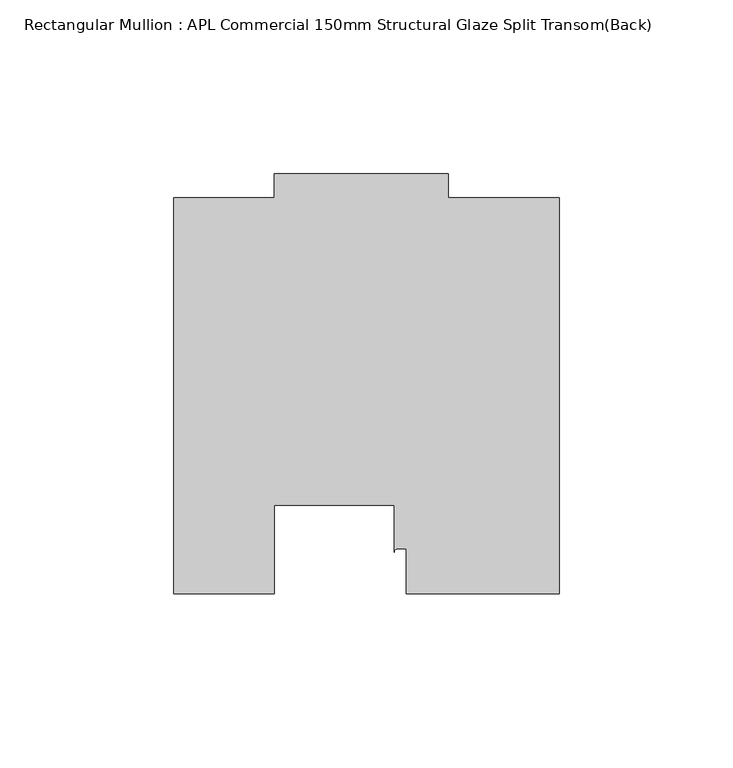
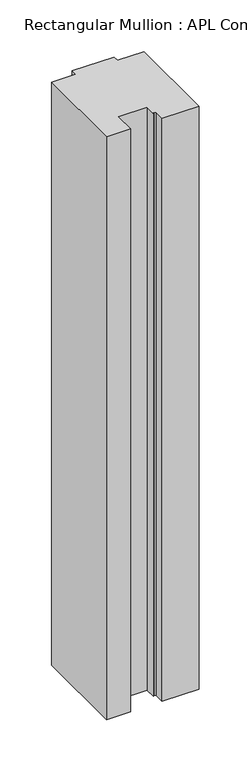
"""IFC4 building model written with IfcOpenShell, lengths in millimetres: member geometry, Rectangular Mullion : APL Commercial 150mm Structural Glaze Split Transom(Back)."""

import ifcopenshell
import ifcopenshell.guid

model = None  # the IFC model being written
_history = None  # IfcOwnerHistory: only IFC2X3 demands one
_inside = {}  # id of a spatial element -> (the spatial element, [elements in it])
_under = {}  # id of a project, library or spatial element -> (it, [spatial elements below it])
_declared = {}  # id of a project -> (the project, [libraries it declares])
_typed = {}  # id of a type object -> (the type object, [elements of that type])
_made_of = {}  # id of a material, layer set ... -> (it, [elements and type objects made of it])


def new_model(schema):
    """Start an empty IFC model of exactly this schema.

    Asked for "IFC4X3", IfcOpenShell would pick the latest addendum, in which some entities
    have other attributes; the version numbers below select the first issue.
    IFC2X3 requires an IfcOwnerHistory on every rooted entity: one is made here for all.
    """
    global model, _history
    if schema == "IFC4X3":
        model = ifcopenshell.file(schema_version=(4, 3, 0, 0))
    else:
        model = ifcopenshell.file(schema=schema)
    _inside.clear()
    _under.clear()
    _declared.clear()
    _typed.clear()
    _made_of.clear()
    _history = None
    if model.schema == "IFC2X3":
        org = make("IfcOrganization", Name="unknown")
        user = make(
            "IfcPersonAndOrganization",
            ThePerson=make("IfcPerson", FamilyName="unknown"),
            TheOrganization=org,
        )
        app = make(
            "IfcApplication",
            ApplicationDeveloper=org,
            Version="unknown",
            ApplicationFullName="unknown",
            ApplicationIdentifier="unknown",
        )
        _history = make(
            "IfcOwnerHistory",
            OwningUser=user,
            OwningApplication=app,
            ChangeAction="ADDED",
            CreationDate=0,
        )
    return model


def make(cls, **values):
    """One entity of the class cls with the attributes given. An attribute that is None is left unset."""
    return model.create_entity(
        cls, **{name: value for name, value in values.items() if value is not None}
    )


def rooted(cls, **values):
    """An entity with a GlobalId (a new one), such as an element, a storey or a relation."""
    return make(cls, GlobalId=ifcopenshell.guid.new(), OwnerHistory=_history, **values)


def si_unit(unit_type, name, prefix=None):
    """IfcSIUnit, for example si_unit("LENGTHUNIT", "METRE", prefix="MILLI")."""
    return make("IfcSIUnit", UnitType=unit_type, Prefix=prefix, Name=name)


def assignment(units):
    """IfcUnitAssignment: the units of a project."""
    return None if units is None else make("IfcUnitAssignment", Units=units)


def point(xyz):
    """IfcCartesianPoint."""
    return None if xyz is None else make("IfcCartesianPoint", Coordinates=xyz)


def direction(xyz):
    """IfcDirection."""
    return None if xyz is None else make("IfcDirection", DirectionRatios=xyz)


def frame(location, z_axis=None, x_axis=None):
    """IfcAxis2Placement3D, a coordinate frame: its origin and axes. An axis left out is left unset."""
    return make(
        "IfcAxis2Placement3D",
        Location=point(location),
        Axis=direction(z_axis),
        RefDirection=direction(x_axis),
    )


def frame_2d(location, x_axis=None):
    """IfcAxis2Placement2D, a coordinate frame in the plane: its origin and x axis."""
    return make(
        "IfcAxis2Placement2D", Location=point(location), RefDirection=direction(x_axis)
    )


def origin():
    """The frame at (0, 0, 0) with its axes left unset."""
    return frame((0.0, 0.0, 0.0))


def place(relative_to, where):
    """IfcLocalPlacement: puts the frame where relative to a parent placement (None: the world)."""
    return make(
        "IfcLocalPlacement", PlacementRelTo=relative_to, RelativePlacement=where
    )


def context(
    kind, dimensions, precision=None, world=None, true_north=None, identifier=None
):
    """IfcGeometricRepresentationContext, for example the 3D "Model" context."""
    return make(
        "IfcGeometricRepresentationContext",
        ContextIdentifier=identifier,
        ContextType=kind,
        CoordinateSpaceDimension=dimensions,
        Precision=precision,
        WorldCoordinateSystem=world,
        TrueNorth=true_north,
    )


def project(units=None, contexts=None):
    """IfcProject with its units and contexts."""
    return rooted(
        "IfcProject",
        Name="project",
        RepresentationContexts=contexts,
        UnitsInContext=assignment(units),
    )


def spatial(cls, under=None, at=None, **own):
    """A site, building, storey or space (cls), placed at a placement, below another one or the project."""
    s = rooted(cls, ObjectPlacement=at, **own)
    if under is not None:
        _under.setdefault(under.id(), (under, []))[1].append(s)
    return s


def polyline(points):
    """IfcPolyline through the points."""
    return make("IfcPolyline", Points=[point(p) for p in points])


def circle_curve(where, radius):
    """IfcCircle in the frame where."""
    return make("IfcCircle", Position=where, Radius=radius)


def trimmed(basis, trim1, trim2, sense, master):
    """IfcTrimmedCurve: the piece of a basis curve between two trims."""
    return make(
        "IfcTrimmedCurve",
        BasisCurve=basis,
        Trim1=trim1,
        Trim2=trim2,
        SenseAgreement=sense,
        MasterRepresentation=master,
    )


def segment(curve, same_sense, transition):
    """IfcCompositeCurveSegment."""
    return make(
        "IfcCompositeCurveSegment",
        Transition=transition,
        SameSense=same_sense,
        ParentCurve=curve,
    )


def composite_curve(segments, self_intersect=None):
    """IfcCompositeCurve: segments joined end to end."""
    return make("IfcCompositeCurve", Segments=segments, SelfIntersect=self_intersect)


def outline(outer, holes=None, kind="AREA"):
    """IfcArbitraryClosedProfileDef: a profile drawn as a closed curve; with holes, ...WithVoids."""
    if holes is None:
        return make("IfcArbitraryClosedProfileDef", ProfileType=kind, OuterCurve=outer)
    return make(
        "IfcArbitraryProfileDefWithVoids",
        ProfileType=kind,
        OuterCurve=outer,
        InnerCurves=holes,
    )


def extrude(swept, where, along, depth):
    """IfcExtrudedAreaSolid: the profile swept, set in the frame where, extruded along a direction by depth."""
    return make(
        "IfcExtrudedAreaSolid",
        SweptArea=swept,
        Position=where,
        ExtrudedDirection=direction(along),
        Depth=depth,
    )


def shape(context_of_items, identifier, shape_type, items):
    """IfcShapeRepresentation: the items that make up one representation, for example the "Body"."""
    return make(
        "IfcShapeRepresentation",
        ContextOfItems=context_of_items,
        RepresentationIdentifier=identifier,
        RepresentationType=shape_type,
        Items=items,
    )


def source(mapping_origin, context_of_items, identifier, shape_type, items):
    """IfcRepresentationMap: a shape defined once, which mapped items show again and again."""
    return make(
        "IfcRepresentationMap",
        MappingOrigin=mapping_origin,
        MappedRepresentation=shape(context_of_items, identifier, shape_type, items),
    )


def transform(
    local_origin,
    x_axis=None,
    y_axis=None,
    z_axis=None,
    scale=None,
    scale2=None,
    scale3=None,
    uniform=True,
):
    """IfcCartesianTransformationOperator3D, or its non-uniform kind. x_axis, y_axis, z_axis: its Axis1, 2, 3."""
    if uniform:
        return make(
            "IfcCartesianTransformationOperator3D",
            Axis1=direction(x_axis),
            Axis2=direction(y_axis),
            LocalOrigin=point(local_origin),
            Scale=scale,
            Axis3=direction(z_axis),
        )
    return make(
        "IfcCartesianTransformationOperator3DnonUniform",
        Axis1=direction(x_axis),
        Axis2=direction(y_axis),
        LocalOrigin=point(local_origin),
        Scale=scale,
        Axis3=direction(z_axis),
        Scale2=scale2,
        Scale3=scale3,
    )


def mapped(mapping_source, mapping_target):
    """IfcMappedItem: shows the shape of a source again, moved by a transform."""
    return make(
        "IfcMappedItem", MappingSource=mapping_source, MappingTarget=mapping_target
    )


def made_of(thing, what):
    """Note that an element or type object is made of a material, layer set ...; save() writes the relation."""
    if what is not None:
        _made_of.setdefault(what.id(), (what, []))[1].append(thing)
    return thing


def element(
    cls,
    number,
    at=None,
    inside=None,
    cuts=None,
    type_object=None,
    material=None,
    context=None,
    identifier="Body",
    shape_type=None,
    held_by="IfcProductDefinitionShape",
    body=None,
    shapes=None,
    **own,
):
    """One element of the class cls, such as IfcWall. Its Tag is "e" and its number.

    at: its placement. inside: the storey or other place that contains it. cuts: it is an
    opening in that element (IfcRelVoidsElement). A single representation is given by context,
    identifier, shape_type and body (its items); several are given by shapes. held_by: the class
    of the entity that holds the representations. save() writes the other relations.
    """
    e = rooted(cls, Tag="e%d" % number, ObjectPlacement=at, **own)
    if body is not None:
        shapes = [shape(context, identifier, shape_type, body)]
    if shapes is not None:
        e.Representation = make(held_by, Representations=shapes)
    if inside is not None:
        _inside.setdefault(inside.id(), (inside, []))[1].append(e)
    if cuts is not None:
        rooted(
            "IfcRelVoidsElement", RelatingBuildingElement=cuts, RelatedOpeningElement=e
        )
    if type_object is not None:
        _typed.setdefault(type_object.id(), (type_object, []))[1].append(e)
    return made_of(e, material)


def aggregate(whole, parts):
    """IfcRelAggregates: a whole, such as a stair, and the parts it consists of."""
    return rooted("IfcRelAggregates", RelatingObject=whole, RelatedObjects=parts)


def save(model, path):
    """Write the relations noted so far, then the file.

    IfcRelAggregates (storeys below a building ...), IfcRelContainedInSpatialStructure (elements
    in a storey), IfcRelDefinesByType, IfcRelAssociatesMaterial and IfcRelDeclares: one each for
    every whole, place, type object, material and project.
    """
    for whole, parts in _under.values():
        aggregate(whole, parts)
    for where, things in _inside.values():
        rooted(
            "IfcRelContainedInSpatialStructure",
            RelatedElements=things,
            RelatingStructure=where,
        )
    for kind, things in _typed.values():
        rooted("IfcRelDefinesByType", RelatedObjects=things, RelatingType=kind)
    for what, things in _made_of.values():
        rooted("IfcRelAssociatesMaterial", RelatedObjects=things, RelatingMaterial=what)
    for by, libraries in _declared.values():
        rooted("IfcRelDeclares", RelatingContext=by, RelatedDefinitions=libraries)
    model.write(path)


def rectangular_mullion_apl_commercial_150mm_structural_glaze_0539d320(model_context):
    return source(origin(), model_context, "Body", "SweptSolid", [
        extrude(outline(composite_curve([segment(polyline([(54.0000029, 15.0004617), (10.0000029, 15.0004617), (10.0000029, 28.0002131), (7.5000029, 28.0002131)]), True, "CONTINUOUS"), segment(trimmed(circle_curve(frame_2d((7.5000029, 27.0002131)), 1.0), [point((7.5000029, 28.0002131))], [point((6.5000029, 27.0002131))], True, "CARTESIAN"), True, "CONTINUOUS"), segment(polyline([(6.5000029, 27.0002131), (6.5000029, 40.499932), (-28.0000482, 40.499932), (-28.0000482, 15.0001793), (-57.0000004, 15.0001793), (-57.0000004, 129.0002765), (-27.9971154, 129.0002765), (-27.9971154, 136.0003326), (22.0028846, 136.0003326), (22.0028846, 129.0003326), (54.0000029, 129.0003326), (54.0000029, 15.0004617)]), True, "CONTINUOUS")], self_intersect=False)), frame((0.0, 0.0, -738.1421998), z_axis=(0.0, 0.0, 1.0), x_axis=(1.0, 0.0, 0.0)), (0.0, 0.0, 1.0), 738.1421998),
    ])


if __name__ == "__main__":
    model = new_model("IFC4")
    model_context = context("Model", 3, world=origin())
    ifc_project = project(units=[si_unit("LENGTHUNIT", "METRE", prefix="MILLI")], contexts=[model_context])
    site = spatial("IfcSite", under=ifc_project)
    building = spatial("IfcBuilding", under=site)
    placement = place(None, origin())
    rectangular_mullion_apl_commercial_150mm_structural_glaze_shape = rectangular_mullion_apl_commercial_150mm_structural_glaze_0539d320(model_context)
    element("IfcMember", 1, ObjectType="Rectangular Mullion : APL Commercial 150mm Structural Glaze Split Transom(Back)", at=placement, inside=building, context=model_context, shape_type="MappedRepresentation", body=[
        mapped(rectangular_mullion_apl_commercial_150mm_structural_glaze_shape, transform((0.0, 0.0, 0.0), x_axis=(1.0, 0.0, 0.0), y_axis=(0.0, 1.0, 0.0), z_axis=(0.0, 0.0, 1.0))),
    ])
    save(model, "model.ifc")
